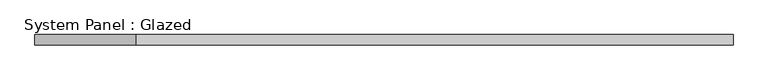
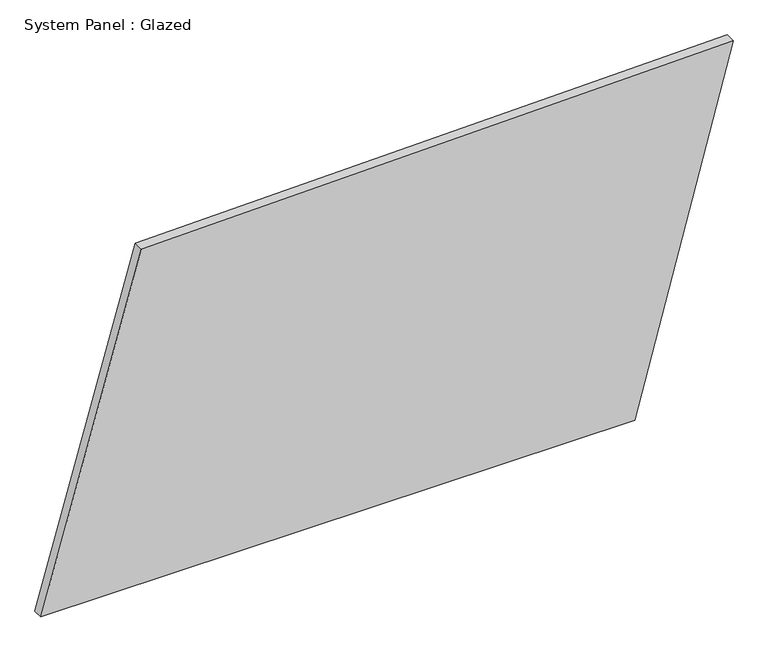
"""IFC4 building model written with IfcOpenShell, lengths in millimetres: plate geometry, System Panel : Glazed."""

from ifc_helpers import new_model, si_unit, frame, origin, place, context, project, spatial, polyline, outline, extrude, source, transform, mapped, element, save


def system_panel_glazed_a92fde9f(model_context):
    return source(origin(), model_context, "Body", "SweptSolid", [
        extrude(outline(polyline([(0.0, -843.9723392), (0.0, 604.1694339), (894.3218242, 843.9723392), (861.9928615, -599.0944298), (0.0, -843.9723392)])), frame((0.0, -49.5, 0.0), z_axis=(0.0, 1.0, 0.0), x_axis=(0.0, 0.0, 1.0)), (0.0, 0.0, 1.0), 25.0),
    ])


if __name__ == "__main__":
    model = new_model("IFC4")
    model_context = context("Model", 3, world=origin())
    ifc_project = project(units=[si_unit("LENGTHUNIT", "METRE", prefix="MILLI")], contexts=[model_context])
    site = spatial("IfcSite", under=ifc_project)
    building = spatial("IfcBuilding", under=site)
    placement = place(None, origin())
    system_panel_glazed_shape = system_panel_glazed_a92fde9f(model_context)
    element("IfcPlate", 1, ObjectType="System Panel : Glazed", at=placement, inside=building, context=model_context, shape_type="MappedRepresentation", body=[
        mapped(system_panel_glazed_shape, transform((0.0, 0.0, 0.0), x_axis=(1.0, 0.0, 0.0), y_axis=(0.0, 1.0, 0.0), z_axis=(0.0, 0.0, 1.0))),
    ])
    save(model, "model.ifc")
